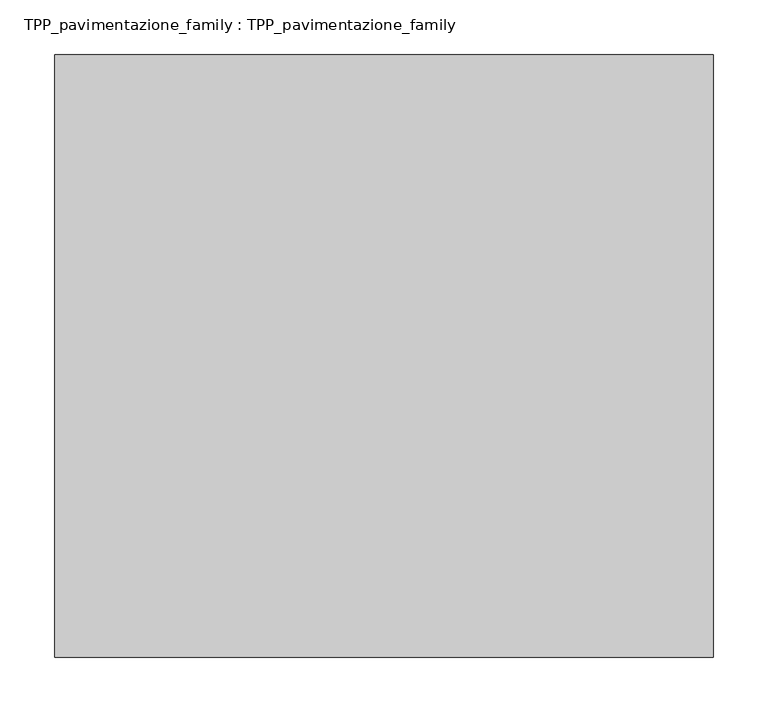
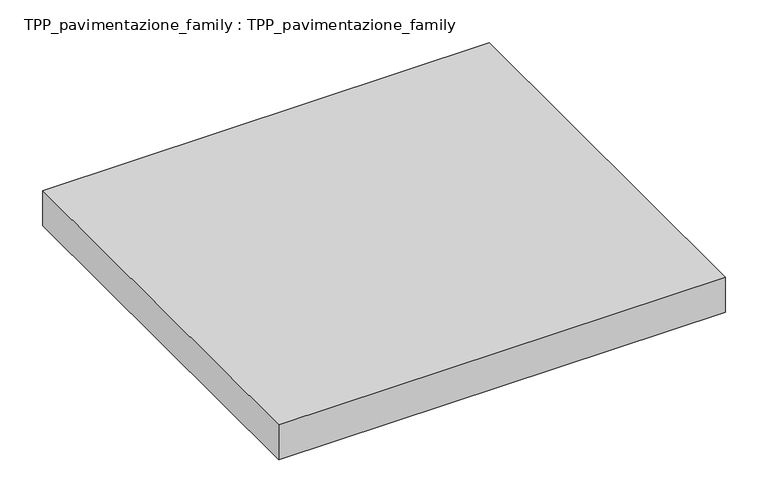
"""IFC4 building model written with IfcOpenShell, lengths in millimetres: proxy geometry, TPP_pavimentazione_family : TPP_pavimentazione_family."""

from ifc_helpers import new_model, si_unit, origin, origin_with_axes, place, context, project, spatial, polyline, outline, extrude, source, transform, mapped, element, save


def tpp_pavimentazione_family_tpp_pavimentazione_family_beeed935(model_context):
    return source(origin(), model_context, "Body", "SweptSolid", [
        extrude(outline(polyline([(511.8146187, 354.2201026), (511.8146187, -198.1697224), (-92.2009571, -198.1697224), (-92.2009571, 354.2201026), (511.8146187, 354.2201026)])), origin_with_axes(), (0.0, 0.0, 1.0), 50.0),
    ])


if __name__ == "__main__":
    model = new_model("IFC4")
    model_context = context("Model", 3, world=origin())
    ifc_project = project(units=[si_unit("LENGTHUNIT", "METRE", prefix="MILLI")], contexts=[model_context])
    site = spatial("IfcSite", under=ifc_project)
    building = spatial("IfcBuilding", under=site)
    placement = place(None, origin())
    tpp_pavimentazione_family_tpp_pavimentazione_family_shape = tpp_pavimentazione_family_tpp_pavimentazione_family_beeed935(model_context)
    element("IfcBuildingElementProxy", 1, Name="TPP_pavimentazione_family : TPP_pavimentazione_family", ObjectType="TPP_pavimentazione_family : TPP_pavimentazione_family", at=placement, inside=building, context=model_context, shape_type="MappedRepresentation", body=[
        mapped(tpp_pavimentazione_family_tpp_pavimentazione_family_shape, transform((0.0, 0.0, 0.0), x_axis=(1.0, 0.0, 0.0), y_axis=(0.0, 1.0, 0.0), z_axis=(0.0, 0.0, 1.0))),
    ])
    save(model, "model.ifc")
